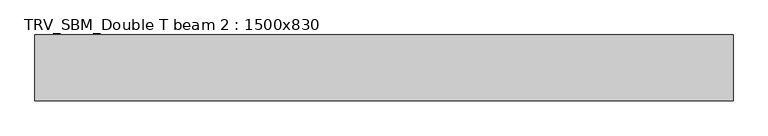
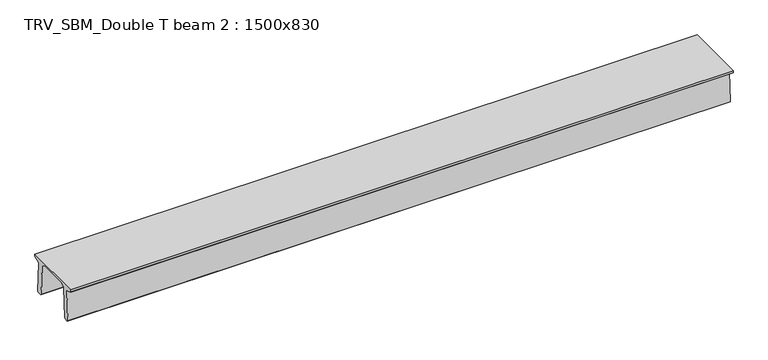
"""IFC4 building model written with IfcOpenShell, lengths in millimetres: beam geometry, TRV_SBM_Double T beam 2 : 1500x830."""

import ifcopenshell
import ifcopenshell.guid

model = None  # the IFC model being written
_history = None  # IfcOwnerHistory: only IFC2X3 demands one
_inside = {}  # id of a spatial element -> (the spatial element, [elements in it])
_under = {}  # id of a project, library or spatial element -> (it, [spatial elements below it])
_declared = {}  # id of a project -> (the project, [libraries it declares])
_typed = {}  # id of a type object -> (the type object, [elements of that type])
_made_of = {}  # id of a material, layer set ... -> (it, [elements and type objects made of it])


def new_model(schema):
    """Start an empty IFC model of exactly this schema.

    Asked for "IFC4X3", IfcOpenShell would pick the latest addendum, in which some entities
    have other attributes; the version numbers below select the first issue.
    IFC2X3 requires an IfcOwnerHistory on every rooted entity: one is made here for all.
    """
    global model, _history
    if schema == "IFC4X3":
        model = ifcopenshell.file(schema_version=(4, 3, 0, 0))
    else:
        model = ifcopenshell.file(schema=schema)
    _inside.clear()
    _under.clear()
    _declared.clear()
    _typed.clear()
    _made_of.clear()
    _history = None
    if model.schema == "IFC2X3":
        org = make("IfcOrganization", Name="unknown")
        user = make(
            "IfcPersonAndOrganization",
            ThePerson=make("IfcPerson", FamilyName="unknown"),
            TheOrganization=org,
        )
        app = make(
            "IfcApplication",
            ApplicationDeveloper=org,
            Version="unknown",
            ApplicationFullName="unknown",
            ApplicationIdentifier="unknown",
        )
        _history = make(
            "IfcOwnerHistory",
            OwningUser=user,
            OwningApplication=app,
            ChangeAction="ADDED",
            CreationDate=0,
        )
    return model


def make(cls, **values):
    """One entity of the class cls with the attributes given. An attribute that is None is left unset."""
    return model.create_entity(
        cls, **{name: value for name, value in values.items() if value is not None}
    )


def rooted(cls, **values):
    """An entity with a GlobalId (a new one), such as an element, a storey or a relation."""
    return make(cls, GlobalId=ifcopenshell.guid.new(), OwnerHistory=_history, **values)


def si_unit(unit_type, name, prefix=None):
    """IfcSIUnit, for example si_unit("LENGTHUNIT", "METRE", prefix="MILLI")."""
    return make("IfcSIUnit", UnitType=unit_type, Prefix=prefix, Name=name)


def assignment(units):
    """IfcUnitAssignment: the units of a project."""
    return None if units is None else make("IfcUnitAssignment", Units=units)


def point(xyz):
    """IfcCartesianPoint."""
    return None if xyz is None else make("IfcCartesianPoint", Coordinates=xyz)


def direction(xyz):
    """IfcDirection."""
    return None if xyz is None else make("IfcDirection", DirectionRatios=xyz)


def frame(location, z_axis=None, x_axis=None):
    """IfcAxis2Placement3D, a coordinate frame: its origin and axes. An axis left out is left unset."""
    return make(
        "IfcAxis2Placement3D",
        Location=point(location),
        Axis=direction(z_axis),
        RefDirection=direction(x_axis),
    )


def origin():
    """The frame at (0, 0, 0) with its axes left unset."""
    return frame((0.0, 0.0, 0.0))


def place(relative_to, where):
    """IfcLocalPlacement: puts the frame where relative to a parent placement (None: the world)."""
    return make(
        "IfcLocalPlacement", PlacementRelTo=relative_to, RelativePlacement=where
    )


def context(
    kind, dimensions, precision=None, world=None, true_north=None, identifier=None
):
    """IfcGeometricRepresentationContext, for example the 3D "Model" context."""
    return make(
        "IfcGeometricRepresentationContext",
        ContextIdentifier=identifier,
        ContextType=kind,
        CoordinateSpaceDimension=dimensions,
        Precision=precision,
        WorldCoordinateSystem=world,
        TrueNorth=true_north,
    )


def project(units=None, contexts=None):
    """IfcProject with its units and contexts."""
    return rooted(
        "IfcProject",
        Name="project",
        RepresentationContexts=contexts,
        UnitsInContext=assignment(units),
    )


def spatial(cls, under=None, at=None, **own):
    """A site, building, storey or space (cls), placed at a placement, below another one or the project."""
    s = rooted(cls, ObjectPlacement=at, **own)
    if under is not None:
        _under.setdefault(under.id(), (under, []))[1].append(s)
    return s


def polyline(points):
    """IfcPolyline through the points."""
    return make("IfcPolyline", Points=[point(p) for p in points])


def outline(outer, holes=None, kind="AREA"):
    """IfcArbitraryClosedProfileDef: a profile drawn as a closed curve; with holes, ...WithVoids."""
    if holes is None:
        return make("IfcArbitraryClosedProfileDef", ProfileType=kind, OuterCurve=outer)
    return make(
        "IfcArbitraryProfileDefWithVoids",
        ProfileType=kind,
        OuterCurve=outer,
        InnerCurves=holes,
    )


def extrude(swept, where, along, depth):
    """IfcExtrudedAreaSolid: the profile swept, set in the frame where, extruded along a direction by depth."""
    return make(
        "IfcExtrudedAreaSolid",
        SweptArea=swept,
        Position=where,
        ExtrudedDirection=direction(along),
        Depth=depth,
    )


def shape(context_of_items, identifier, shape_type, items):
    """IfcShapeRepresentation: the items that make up one representation, for example the "Body"."""
    return make(
        "IfcShapeRepresentation",
        ContextOfItems=context_of_items,
        RepresentationIdentifier=identifier,
        RepresentationType=shape_type,
        Items=items,
    )


def source(mapping_origin, context_of_items, identifier, shape_type, items):
    """IfcRepresentationMap: a shape defined once, which mapped items show again and again."""
    return make(
        "IfcRepresentationMap",
        MappingOrigin=mapping_origin,
        MappedRepresentation=shape(context_of_items, identifier, shape_type, items),
    )


def transform(
    local_origin,
    x_axis=None,
    y_axis=None,
    z_axis=None,
    scale=None,
    scale2=None,
    scale3=None,
    uniform=True,
):
    """IfcCartesianTransformationOperator3D, or its non-uniform kind. x_axis, y_axis, z_axis: its Axis1, 2, 3."""
    if uniform:
        return make(
            "IfcCartesianTransformationOperator3D",
            Axis1=direction(x_axis),
            Axis2=direction(y_axis),
            LocalOrigin=point(local_origin),
            Scale=scale,
            Axis3=direction(z_axis),
        )
    return make(
        "IfcCartesianTransformationOperator3DnonUniform",
        Axis1=direction(x_axis),
        Axis2=direction(y_axis),
        LocalOrigin=point(local_origin),
        Scale=scale,
        Axis3=direction(z_axis),
        Scale2=scale2,
        Scale3=scale3,
    )


def mapped(mapping_source, mapping_target):
    """IfcMappedItem: shows the shape of a source again, moved by a transform."""
    return make(
        "IfcMappedItem", MappingSource=mapping_source, MappingTarget=mapping_target
    )


def made_of(thing, what):
    """Note that an element or type object is made of a material, layer set ...; save() writes the relation."""
    if what is not None:
        _made_of.setdefault(what.id(), (what, []))[1].append(thing)
    return thing


def element(
    cls,
    number,
    at=None,
    inside=None,
    cuts=None,
    type_object=None,
    material=None,
    context=None,
    identifier="Body",
    shape_type=None,
    held_by="IfcProductDefinitionShape",
    body=None,
    shapes=None,
    **own,
):
    """One element of the class cls, such as IfcWall. Its Tag is "e" and its number.

    at: its placement. inside: the storey or other place that contains it. cuts: it is an
    opening in that element (IfcRelVoidsElement). A single representation is given by context,
    identifier, shape_type and body (its items); several are given by shapes. held_by: the class
    of the entity that holds the representations. save() writes the other relations.
    """
    e = rooted(cls, Tag="e%d" % number, ObjectPlacement=at, **own)
    if body is not None:
        shapes = [shape(context, identifier, shape_type, body)]
    if shapes is not None:
        e.Representation = make(held_by, Representations=shapes)
    if inside is not None:
        _inside.setdefault(inside.id(), (inside, []))[1].append(e)
    if cuts is not None:
        rooted(
            "IfcRelVoidsElement", RelatingBuildingElement=cuts, RelatedOpeningElement=e
        )
    if type_object is not None:
        _typed.setdefault(type_object.id(), (type_object, []))[1].append(e)
    return made_of(e, material)


def aggregate(whole, parts):
    """IfcRelAggregates: a whole, such as a stair, and the parts it consists of."""
    return rooted("IfcRelAggregates", RelatingObject=whole, RelatedObjects=parts)


def save(model, path):
    """Write the relations noted so far, then the file.

    IfcRelAggregates (storeys below a building ...), IfcRelContainedInSpatialStructure (elements
    in a storey), IfcRelDefinesByType, IfcRelAssociatesMaterial and IfcRelDeclares: one each for
    every whole, place, type object, material and project.
    """
    for whole, parts in _under.values():
        aggregate(whole, parts)
    for where, things in _inside.values():
        rooted(
            "IfcRelContainedInSpatialStructure",
            RelatedElements=things,
            RelatingStructure=where,
        )
    for kind, things in _typed.values():
        rooted("IfcRelDefinesByType", RelatedObjects=things, RelatingType=kind)
    for what, things in _made_of.values():
        rooted("IfcRelAssociatesMaterial", RelatedObjects=things, RelatingMaterial=what)
    for by, libraries in _declared.values():
        rooted("IfcRelDeclares", RelatingContext=by, RelatedDefinitions=libraries)
    model.write(path)


def trv_sbm_double_t_beam_2_1500x830_606cc0c9(model_context):
    return source(origin(), model_context, "Body", "SweptSolid", [
        extrude(outline(polyline([(337.4555014, 470.0), (-343.4555014, 470.0), (-456.5828437, 409.8491251), (-494.786332, -340.5206011), (-514.2657308, -360.0), (-604.2657308, -360.0), (-624.8277662, -339.4379646), (-586.9373878, 401.9654693), (-752.8511046, 468.9989621), (-753.0, 475.0), (-753.0, 520.0), (747.0, 520.0), (747.0, 475.0), (746.8511046, 468.9989621), (580.9373878, 401.9654693), (618.8277662, -339.4379646), (598.2657308, -360.0), (508.2657308, -360.0), (488.786332, -340.5206011), (450.5828437, 409.8491251), (337.4555014, 470.0)])), frame((-7913.0, 0.0, 0.0), z_axis=(1.0, 0.0, 0.0), x_axis=(0.0, 1.0, 0.0)), (0.0, 0.0, 1.0), 15903.0),
    ])


if __name__ == "__main__":
    model = new_model("IFC4")
    model_context = context("Model", 3, world=origin())
    ifc_project = project(units=[si_unit("LENGTHUNIT", "METRE", prefix="MILLI")], contexts=[model_context])
    site = spatial("IfcSite", under=ifc_project)
    building = spatial("IfcBuilding", under=site)
    placement = place(None, origin())
    trv_sbm_double_t_beam_2_1500x830_shape = trv_sbm_double_t_beam_2_1500x830_606cc0c9(model_context)
    element("IfcBeam", 1, ObjectType="TRV_SBM_Double T beam 2 : 1500x830", at=placement, inside=building, context=model_context, shape_type="MappedRepresentation", body=[
        mapped(trv_sbm_double_t_beam_2_1500x830_shape, transform((0.0, 0.0, 0.0), x_axis=(1.0, 0.0, 0.0), y_axis=(0.0, 1.0, 0.0), z_axis=(0.0, 0.0, 1.0))),
    ])
    save(model, "model.ifc")
